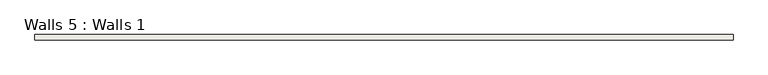
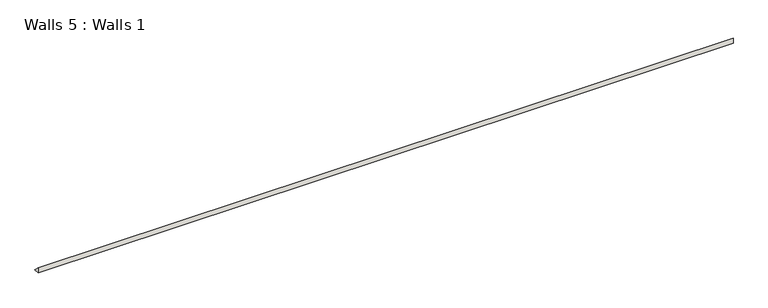
"""IFC4 building model written with IfcOpenShell, lengths in millimetres: wall geometry, Walls 5 : Walls 1."""

from ifc_helpers import new_model, si_unit, frame, origin, place, context, project, spatial, polyline, outline, extrude, source, transform, mapped, element, save


def walls_5_walls_1_5ecd555b(model_context):
    return source(origin(), model_context, "Body", "SweptSolid", [
        extrude(outline(polyline([(1885.3330893, 19.05), (1904.3830893, 0.0), (1885.3330893, 0.0), (1885.3330893, 19.05)])), frame((75.4987811, 0.0, 0.0), z_axis=(1.0, 0.0, 0.0), x_axis=(0.0, 1.0, 0.0)), (0.0, 0.0, 1.0), 2438.4),
    ])


if __name__ == "__main__":
    model = new_model("IFC4")
    model_context = context("Model", 3, world=origin())
    ifc_project = project(units=[si_unit("LENGTHUNIT", "METRE", prefix="MILLI")], contexts=[model_context])
    site = spatial("IfcSite", under=ifc_project)
    building = spatial("IfcBuilding", under=site)
    placement = place(None, origin())
    walls_5_walls_1_shape = walls_5_walls_1_5ecd555b(model_context)
    element("IfcWall", 1, ObjectType="Walls 5 : Walls 1", at=placement, inside=building, context=model_context, shape_type="MappedRepresentation", body=[
        mapped(walls_5_walls_1_shape, transform((0.0, 0.0, 0.0), x_axis=(1.0, 0.0, 0.0), y_axis=(0.0, 1.0, 0.0), z_axis=(0.0, 0.0, 1.0))),
    ])
    save(model, "model.ifc")
